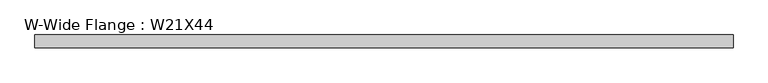
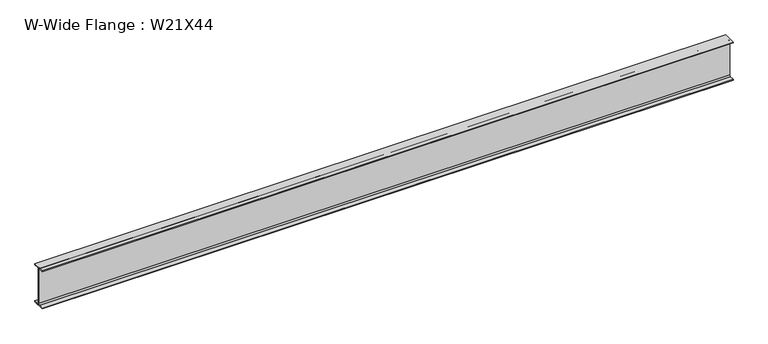
"""IFC4 building model written with IfcOpenShell, lengths in millimetres: beam geometry, W-Wide Flange : W21X44."""

from ifc_helpers import new_model, si_unit, point, frame, frame_2d, origin, place, context, project, spatial, polyline, circle_curve, trimmed, segment, composite_curve, outline, extrude, source, transform, mapped, element, save


def w_wide_flange_w21x44_4b692c69(model_context):
    return source(origin(), model_context, "Body", "SweptSolid", [
        extrude(outline(composite_curve([segment(polyline([(82.55, -251.4699219), (82.55, -262.8800781), (-82.55, -262.8800781), (-82.55, -251.4699219), (-21.6296875, -251.4699219)]), True, "CONTINUOUS"), segment(trimmed(circle_curve(frame_2d((-21.6296875, -234.3050781)), 17.1648437), [point((-21.6296875, -251.4699219))], [point((-4.4648438, -234.3050781))], True, "CARTESIAN"), True, "CONTINUOUS"), segment(polyline([(-4.4648438, -234.3050781), (-4.4648438, 234.3050781)]), True, "CONTINUOUS"), segment(trimmed(circle_curve(frame_2d((-21.6296875, 234.3050781)), 17.1648437), [point((-4.4648438, 234.3050781))], [point((-21.6296875, 251.4699219))], True, "CARTESIAN"), True, "CONTINUOUS"), segment(polyline([(-21.6296875, 251.4699219), (-82.55, 251.4699219), (-82.55, 262.8800781), (82.55, 262.8800781), (82.55, 251.4699219), (21.6296875, 251.4699219)]), True, "CONTINUOUS"), segment(trimmed(circle_curve(frame_2d((21.6296875, 234.3050781)), 17.1648437), [point((21.6296875, 251.4699219))], [point((4.4648437, 234.3050781))], True, "CARTESIAN"), True, "CONTINUOUS"), segment(polyline([(4.4648437, 234.3050781), (4.4648437, -234.3050781)]), True, "CONTINUOUS"), segment(trimmed(circle_curve(frame_2d((21.6296875, -234.3050781)), 17.1648437), [point((4.4648437, -234.3050781))], [point((21.6296875, -251.4699219))], True, "CARTESIAN"), True, "CONTINUOUS"), segment(polyline([(21.6296875, -251.4699219), (82.55, -251.4699219)]), True, "CONTINUOUS")], self_intersect=False)), frame((-4527.55, 0.0, 0.0), z_axis=(1.0, 0.0, 0.0), x_axis=(0.0, 1.0, 0.0)), (0.0, 0.0, 1.0), 9036.05),
    ])


if __name__ == "__main__":
    model = new_model("IFC4")
    model_context = context("Model", 3, world=origin())
    ifc_project = project(units=[si_unit("LENGTHUNIT", "METRE", prefix="MILLI")], contexts=[model_context])
    site = spatial("IfcSite", under=ifc_project)
    building = spatial("IfcBuilding", under=site)
    placement = place(None, origin())
    w_wide_flange_w21x44_shape = w_wide_flange_w21x44_4b692c69(model_context)
    element("IfcBeam", 1, ObjectType="W-Wide Flange : W21X44", at=placement, inside=building, context=model_context, shape_type="MappedRepresentation", body=[
        mapped(w_wide_flange_w21x44_shape, transform((0.0, 0.0, 0.0), x_axis=(1.0, 0.0, 0.0), y_axis=(0.0, 1.0, 0.0), z_axis=(0.0, 0.0, 1.0))),
    ])
    save(model, "model.ifc")
